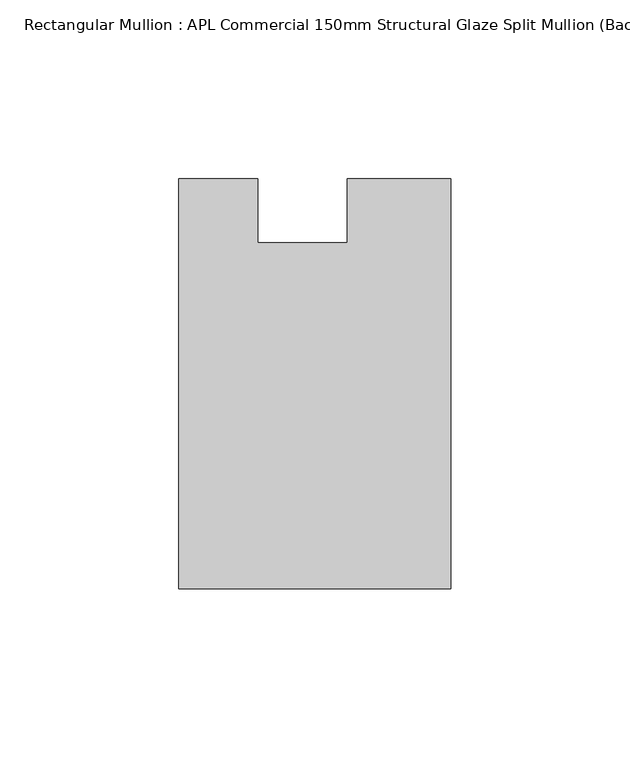
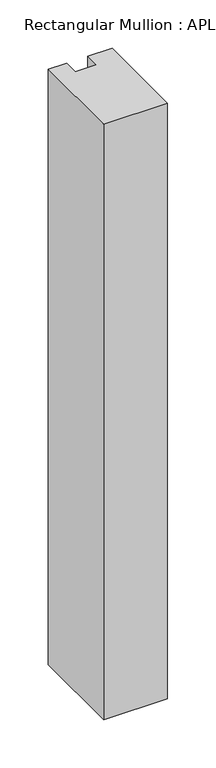
"""IFC4 building model written with IfcOpenShell, lengths in millimetres: member geometry, Rectangular Mullion : APL Commercial 150mm Structural Glaze Split Mullion (Back)."""

from ifc_helpers import new_model, si_unit, frame, origin, place, context, project, spatial, polyline, outline, extrude, source, transform, mapped, element, save


def rectangular_mullion_apl_commercial_150mm_structural_glaze_7daa4eb4(model_context):
    return source(origin(), model_context, "Body", "SweptSolid", [
        extrude(outline(polyline([(37.9999914, -129.5195626), (-37.9999896, -129.5195626), (-37.9999896, -14.9960123), (-16.0, -14.9960123), (-16.0, -32.7960123), (9.0, -32.7960123), (9.0, -14.9960123), (37.9999914, -14.9960123), (37.9999914, -129.5195626)])), frame((0.0, 0.0, -751.0229426), z_axis=(0.0, 0.0, 1.0), x_axis=(1.0, 0.0, 0.0)), (0.0, 0.0, 1.0), 751.0229426),
    ])


if __name__ == "__main__":
    model = new_model("IFC4")
    model_context = context("Model", 3, world=origin())
    ifc_project = project(units=[si_unit("LENGTHUNIT", "METRE", prefix="MILLI")], contexts=[model_context])
    site = spatial("IfcSite", under=ifc_project)
    building = spatial("IfcBuilding", under=site)
    placement = place(None, origin())
    rectangular_mullion_apl_commercial_150mm_structural_glaze_shape = rectangular_mullion_apl_commercial_150mm_structural_glaze_7daa4eb4(model_context)
    element("IfcMember", 1, ObjectType="Rectangular Mullion : APL Commercial 150mm Structural Glaze Split Mullion (Back)", at=placement, inside=building, context=model_context, shape_type="MappedRepresentation", body=[
        mapped(rectangular_mullion_apl_commercial_150mm_structural_glaze_shape, transform((0.0, 0.0, 0.0), x_axis=(1.0, 0.0, 0.0), y_axis=(0.0, 1.0, 0.0), z_axis=(0.0, 0.0, 1.0))),
    ])
    save(model, "model.ifc")
